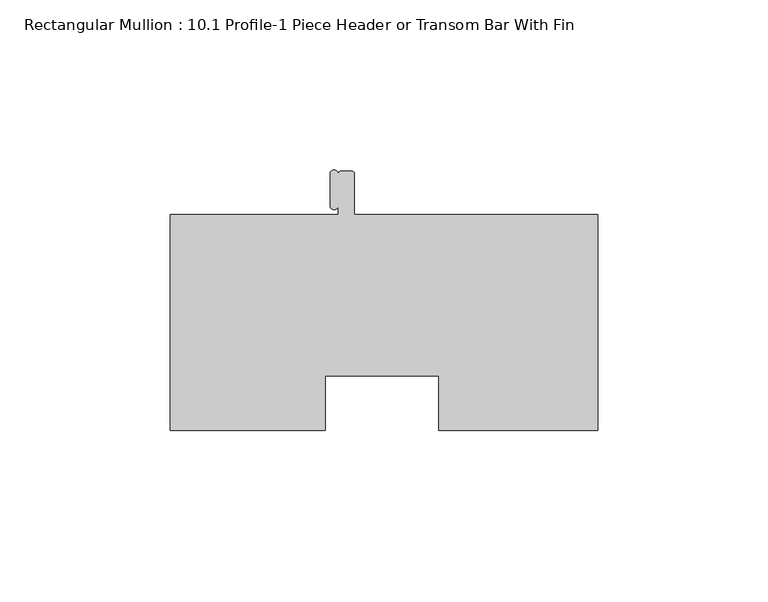
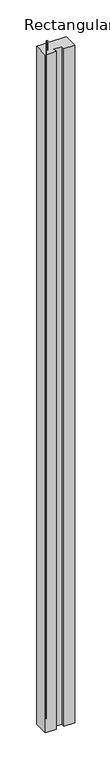
"""IFC4 building model written with IfcOpenShell, lengths in millimetres: member geometry, Rectangular Mullion : 10.1 Profile-1 Piece Header or Transom Bar With Fin."""

from ifc_helpers import new_model, si_unit, frame, origin, place, context, project, spatial, circle_curve, source, transform, mapped, element, save
from ifc_brep_helpers import plane_surface, cylinder_surface, advanced_brep


def rectangular_mullion_10_1_profile_1_piece_header_or_transom_eec99d13(model_context):
    return source(origin(), model_context, "Body", "AdvancedBrep", [
        advanced_brep(
        [(-125.7808, -48.41875, 0.0), (-80.2091346, -48.41875, 0.0), (-80.2091346, -32.5312262, 0.0), (-46.8503, -32.5312262, 0.0), (-46.8503, -48.41875, 0.0), (0.0, -48.41875, 0.0), (0.0, 15.08125, 0.0), (-71.6026, 15.08125, 0.0), (-71.6026, 26.99385, 0.0), (-72.39, 27.78125, 0.0), (-75.5904, 27.78125, 0.0), (-76.3777096, 26.9819206, 0.0), (-78.765146, 26.9638345, 0.0), (-78.765146, 17.6384791, 0.0), (-76.3778, 17.6138542, 0.0), (-76.3778, 15.08125, 0.0), (-125.7808, 15.08125, 0.0), (-125.7808, -48.41875, -3048.0), (-125.7808, 15.08125, -3048.0), (-76.3778, 15.08125, -3048.0), (-76.3778, 17.6138542, -3048.0), (-78.765146, 17.6384791, -3048.0), (-78.765146, 26.9638345, -3048.0), (-76.377683, 26.981921, -3048.0), (-75.5904, 27.78125, -3048.0), (-72.39, 27.78125, -3048.0), (-71.6026, 26.99385, -3048.0), (-71.6026, 15.08125, -3048.0), (0.0, 15.08125, -3048.0), (0.0, -48.41875, -3048.0), (-46.8503, -48.41875, -3048.0), (-46.8503, -32.5312262, -3048.0), (-80.2091346, -32.5312262, -3048.0), (-80.2091346, -48.41875, -3048.0)],
        [
            (0, 1),
            (1, 2),
            (2, 3),
            (3, 4),
            (4, 5),
            (5, 6),
            (6, 7),
            (7, 8),
            (8, 9, circle_curve(frame((-72.39, 26.99385, 0.0), z_axis=(0.0, 0.0, 1.0), x_axis=(1.0, 0.0, 0.0)), 0.7874)),
            (9, 10),
            (10, 11, circle_curve(frame((-75.5904, 26.99385, 0.0), z_axis=(0.0, 0.0, 1.0), x_axis=(0.0, 1.0, 0.0)), 0.7874)),
            (11, 12, circle_curve(frame((-77.571346, 26.9638345, 0.0), z_axis=(0.0, 0.0, 1.0), x_axis=(1.0, 0.0, 0.0)), 1.1938)),
            (12, 13),
            (13, 14, circle_curve(frame((-77.571346, 17.6384791, 0.0), z_axis=(0.0, 0.0, 1.0), x_axis=(-1.0, 0.0, 0.0)), 1.1938)),
            (14, 15),
            (15, 16),
            (16, 0),
            (17, 18),
            (18, 19),
            (19, 20),
            (20, 21, circle_curve(frame((-77.571346, 17.6384791, -3048.0), z_axis=(0.0, 0.0, -1.0), x_axis=(-1.0, 0.0, 0.0)), 1.1938)),
            (21, 22),
            (22, 23, circle_curve(frame((-77.571346, 26.9638345, -3048.0), z_axis=(0.0, 0.0, -1.0), x_axis=(1.0, 0.0, 0.0)), 1.1938)),
            (23, 24, circle_curve(frame((-75.5904, 26.99385, -3048.0), z_axis=(0.0, 0.0, -1.0), x_axis=(0.0, 1.0, 0.0)), 0.7874)),
            (24, 25),
            (25, 26, circle_curve(frame((-72.39, 26.99385, -3048.0), z_axis=(0.0, 0.0, -1.0), x_axis=(1.0, 0.0, 0.0)), 0.7874)),
            (26, 27),
            (27, 28),
            (28, 29),
            (29, 30),
            (30, 31),
            (31, 32),
            (32, 33),
            (33, 17),
            (0, 17),
            (33, 1),
            (32, 2),
            (31, 3),
            (30, 4),
            (29, 5),
            (28, 6),
            (27, 7),
            (26, 8),
            (25, 9),
            (24, 10),
            (23, 11),
            (22, 12),
            (21, 13),
            (20, 14),
            (19, 15),
            (18, 16),
        ],
        [
            plane_surface(frame((0.0, -134.7782809, 0.0), z_axis=(0.0, 0.0, 1.0), x_axis=(-1.0, 0.0, 0.0))),
            plane_surface(frame((0.0, -134.7782809, -3048.0), z_axis=(0.0, 0.0, -1.0), x_axis=(-1.0, 0.0, 0.0))),
            plane_surface(frame((-125.7808, -48.41875, 0.0), z_axis=(0.0, -1.0, 0.0), x_axis=(0.0, 0.0, -1.0))),
            plane_surface(frame((-80.2091346, -48.41875, 0.0), z_axis=(1.0, 0.0, 0.0), x_axis=(0.0, 0.0, -1.0))),
            plane_surface(frame((-80.2091346, -32.5312262, 0.0), z_axis=(0.0, -1.0, 0.0), x_axis=(0.0, 0.0, -1.0))),
            plane_surface(frame((-46.8503, -32.5312262, 0.0), z_axis=(-1.0, 0.0, 0.0), x_axis=(0.0, 0.0, -1.0))),
            plane_surface(frame((-46.8503, -48.41875, 0.0), z_axis=(0.0, -1.0, 0.0), x_axis=(0.0, 0.0, -1.0))),
            plane_surface(frame((0.0, -48.41875, 0.0), z_axis=(1.0, 0.0, 0.0), x_axis=(0.0, 0.0, -1.0))),
            plane_surface(frame((0.0, 15.08125, 0.0), z_axis=(0.0, 1.0, 0.0), x_axis=(0.0, 0.0, -1.0))),
            plane_surface(frame((-71.6026, 15.08125, 0.0), z_axis=(1.0, 0.0, 0.0), x_axis=(0.0, 0.0, -1.0))),
            cylinder_surface(frame((-72.39, 26.99385, 0.0), z_axis=(0.0, 0.0, 1.0), x_axis=(1.0, 0.0, 0.0)), 0.7874),
            plane_surface(frame((-72.39, 27.78125, 0.0), z_axis=(0.0, 1.0, 0.0), x_axis=(0.0, 0.0, -1.0))),
            cylinder_surface(frame((-75.5904, 26.99385, 0.0), z_axis=(0.0, 0.0, 1.0), x_axis=(0.0, 1.0, 0.0)), 0.7874),
            cylinder_surface(frame((-77.571346, 26.9638345, 0.0), z_axis=(0.0, 0.0, 1.0), x_axis=(1.0, 0.0, 0.0)), 1.1938),
            plane_surface(frame((-78.765146, 26.9638345, 0.0), z_axis=(-1.0, 0.0, 0.0), x_axis=(0.0, 0.0, -1.0))),
            cylinder_surface(frame((-77.571346, 17.6384791, 0.0), z_axis=(0.0, 0.0, 1.0), x_axis=(-1.0, 0.0, 0.0)), 1.1938),
            plane_surface(frame((-76.3778, 17.6138542, 0.0), z_axis=(-1.0, 0.0, 0.0), x_axis=(0.0, 0.0, -1.0))),
            plane_surface(frame((-76.3778, 15.08125, 0.0), z_axis=(0.0, 1.0, 0.0), x_axis=(0.0, 0.0, -1.0))),
            plane_surface(frame((-125.7808, 15.08125, 0.0), z_axis=(-1.0, 0.0, 0.0), x_axis=(0.0, 0.0, -1.0))),
        ],
        [
            (0, [[1, 2, 3, 4, 5, 6, 7, 8, 9, 10, 11, 12, 13, 14, 15, 16, 17]]),
            (1, [[18, 19, 20, 21, 22, 23, 24, 25, 26, 27, 28, 29, 30, 31, 32, 33, 34]]),
            (2, [[-1, 35, -34, 36]]),
            (3, [[-2, -36, -33, 37]]),
            (4, [[-3, -37, -32, 38]]),
            (5, [[-4, -38, -31, 39]]),
            (6, [[-5, -39, -30, 40]]),
            (7, [[-6, -40, -29, 41]]),
            (8, [[-7, -41, -28, 42]]),
            (9, [[-8, -42, -27, 43]]),
            (10, [[-9, -43, -26, 44]]),
            (11, [[-10, -44, -25, 45]]),
            (12, [[-11, -45, -24, 46]]),
            (13, [[-12, -46, -23, 47]]),
            (14, [[-13, -47, -22, 48]]),
            (15, [[-14, -48, -21, 49]]),
            (16, [[-15, -49, -20, 50]]),
            (17, [[-16, -50, -19, 51]]),
            (18, [[-17, -51, -18, -35]]),
        ],
    ),
    ])


if __name__ == "__main__":
    model = new_model("IFC4")
    model_context = context("Model", 3, world=origin())
    ifc_project = project(units=[si_unit("LENGTHUNIT", "METRE", prefix="MILLI")], contexts=[model_context])
    site = spatial("IfcSite", under=ifc_project)
    building = spatial("IfcBuilding", under=site)
    placement = place(None, origin())
    rectangular_mullion_10_1_profile_1_piece_header_or_transom_shape = rectangular_mullion_10_1_profile_1_piece_header_or_transom_eec99d13(model_context)
    element("IfcMember", 1, ObjectType="Rectangular Mullion : 10.1 Profile-1 Piece Header or Transom Bar With Fin", at=placement, inside=building, context=model_context, shape_type="MappedRepresentation", body=[
        mapped(rectangular_mullion_10_1_profile_1_piece_header_or_transom_shape, transform((0.0, 0.0, 0.0), x_axis=(1.0, 0.0, 0.0), y_axis=(0.0, 1.0, 0.0), z_axis=(0.0, 0.0, 1.0))),
    ])
    save(model, "model.ifc")
